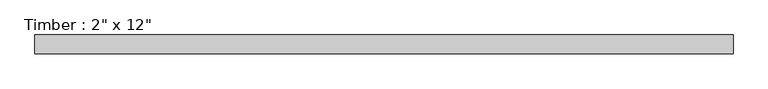
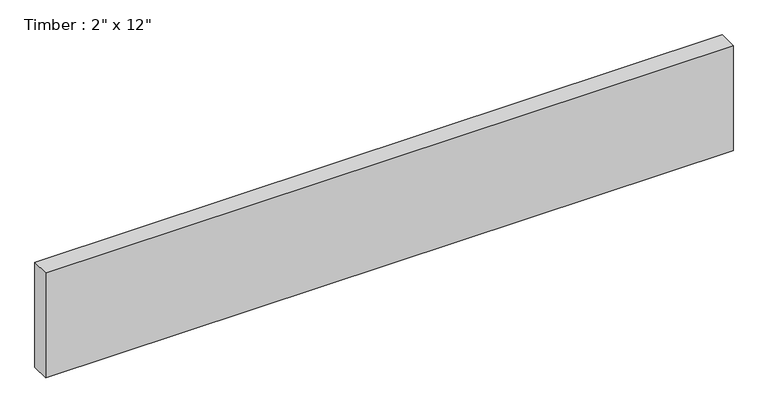
"""IFC4 building model written with IfcOpenShell, lengths in millimetres: beam geometry."""

import ifcopenshell
import ifcopenshell.guid

model = None  # the IFC model being written
_history = None  # IfcOwnerHistory: only IFC2X3 demands one
_inside = {}  # id of a spatial element -> (the spatial element, [elements in it])
_under = {}  # id of a project, library or spatial element -> (it, [spatial elements below it])
_declared = {}  # id of a project -> (the project, [libraries it declares])
_typed = {}  # id of a type object -> (the type object, [elements of that type])
_made_of = {}  # id of a material, layer set ... -> (it, [elements and type objects made of it])


def new_model(schema):
    """Start an empty IFC model of exactly this schema.

    Asked for "IFC4X3", IfcOpenShell would pick the latest addendum, in which some entities
    have other attributes; the version numbers below select the first issue.
    IFC2X3 requires an IfcOwnerHistory on every rooted entity: one is made here for all.
    """
    global model, _history
    if schema == "IFC4X3":
        model = ifcopenshell.file(schema_version=(4, 3, 0, 0))
    else:
        model = ifcopenshell.file(schema=schema)
    _inside.clear()
    _under.clear()
    _declared.clear()
    _typed.clear()
    _made_of.clear()
    _history = None
    if model.schema == "IFC2X3":
        org = make("IfcOrganization", Name="unknown")
        user = make(
            "IfcPersonAndOrganization",
            ThePerson=make("IfcPerson", FamilyName="unknown"),
            TheOrganization=org,
        )
        app = make(
            "IfcApplication",
            ApplicationDeveloper=org,
            Version="unknown",
            ApplicationFullName="unknown",
            ApplicationIdentifier="unknown",
        )
        _history = make(
            "IfcOwnerHistory",
            OwningUser=user,
            OwningApplication=app,
            ChangeAction="ADDED",
            CreationDate=0,
        )
    return model


def make(cls, **values):
    """One entity of the class cls with the attributes given. An attribute that is None is left unset."""
    return model.create_entity(
        cls, **{name: value for name, value in values.items() if value is not None}
    )


def rooted(cls, **values):
    """An entity with a GlobalId (a new one), such as an element, a storey or a relation."""
    return make(cls, GlobalId=ifcopenshell.guid.new(), OwnerHistory=_history, **values)


def si_unit(unit_type, name, prefix=None):
    """IfcSIUnit, for example si_unit("LENGTHUNIT", "METRE", prefix="MILLI")."""
    return make("IfcSIUnit", UnitType=unit_type, Prefix=prefix, Name=name)


def assignment(units):
    """IfcUnitAssignment: the units of a project."""
    return None if units is None else make("IfcUnitAssignment", Units=units)


def point(xyz):
    """IfcCartesianPoint."""
    return None if xyz is None else make("IfcCartesianPoint", Coordinates=xyz)


def direction(xyz):
    """IfcDirection."""
    return None if xyz is None else make("IfcDirection", DirectionRatios=xyz)


def frame(location, z_axis=None, x_axis=None):
    """IfcAxis2Placement3D, a coordinate frame: its origin and axes. An axis left out is left unset."""
    return make(
        "IfcAxis2Placement3D",
        Location=point(location),
        Axis=direction(z_axis),
        RefDirection=direction(x_axis),
    )


def origin():
    """The frame at (0, 0, 0) with its axes left unset."""
    return frame((0.0, 0.0, 0.0))


def place(relative_to, where):
    """IfcLocalPlacement: puts the frame where relative to a parent placement (None: the world)."""
    return make(
        "IfcLocalPlacement", PlacementRelTo=relative_to, RelativePlacement=where
    )


def context(
    kind, dimensions, precision=None, world=None, true_north=None, identifier=None
):
    """IfcGeometricRepresentationContext, for example the 3D "Model" context."""
    return make(
        "IfcGeometricRepresentationContext",
        ContextIdentifier=identifier,
        ContextType=kind,
        CoordinateSpaceDimension=dimensions,
        Precision=precision,
        WorldCoordinateSystem=world,
        TrueNorth=true_north,
    )


def project(units=None, contexts=None):
    """IfcProject with its units and contexts."""
    return rooted(
        "IfcProject",
        Name="project",
        RepresentationContexts=contexts,
        UnitsInContext=assignment(units),
    )


def spatial(cls, under=None, at=None, **own):
    """A site, building, storey or space (cls), placed at a placement, below another one or the project."""
    s = rooted(cls, ObjectPlacement=at, **own)
    if under is not None:
        _under.setdefault(under.id(), (under, []))[1].append(s)
    return s


def polyline(points):
    """IfcPolyline through the points."""
    return make("IfcPolyline", Points=[point(p) for p in points])


def outline(outer, holes=None, kind="AREA"):
    """IfcArbitraryClosedProfileDef: a profile drawn as a closed curve; with holes, ...WithVoids."""
    if holes is None:
        return make("IfcArbitraryClosedProfileDef", ProfileType=kind, OuterCurve=outer)
    return make(
        "IfcArbitraryProfileDefWithVoids",
        ProfileType=kind,
        OuterCurve=outer,
        InnerCurves=holes,
    )


def extrude(swept, where, along, depth):
    """IfcExtrudedAreaSolid: the profile swept, set in the frame where, extruded along a direction by depth."""
    return make(
        "IfcExtrudedAreaSolid",
        SweptArea=swept,
        Position=where,
        ExtrudedDirection=direction(along),
        Depth=depth,
    )


def shape(context_of_items, identifier, shape_type, items):
    """IfcShapeRepresentation: the items that make up one representation, for example the "Body"."""
    return make(
        "IfcShapeRepresentation",
        ContextOfItems=context_of_items,
        RepresentationIdentifier=identifier,
        RepresentationType=shape_type,
        Items=items,
    )


def source(mapping_origin, context_of_items, identifier, shape_type, items):
    """IfcRepresentationMap: a shape defined once, which mapped items show again and again."""
    return make(
        "IfcRepresentationMap",
        MappingOrigin=mapping_origin,
        MappedRepresentation=shape(context_of_items, identifier, shape_type, items),
    )


def transform(
    local_origin,
    x_axis=None,
    y_axis=None,
    z_axis=None,
    scale=None,
    scale2=None,
    scale3=None,
    uniform=True,
):
    """IfcCartesianTransformationOperator3D, or its non-uniform kind. x_axis, y_axis, z_axis: its Axis1, 2, 3."""
    if uniform:
        return make(
            "IfcCartesianTransformationOperator3D",
            Axis1=direction(x_axis),
            Axis2=direction(y_axis),
            LocalOrigin=point(local_origin),
            Scale=scale,
            Axis3=direction(z_axis),
        )
    return make(
        "IfcCartesianTransformationOperator3DnonUniform",
        Axis1=direction(x_axis),
        Axis2=direction(y_axis),
        LocalOrigin=point(local_origin),
        Scale=scale,
        Axis3=direction(z_axis),
        Scale2=scale2,
        Scale3=scale3,
    )


def mapped(mapping_source, mapping_target):
    """IfcMappedItem: shows the shape of a source again, moved by a transform."""
    return make(
        "IfcMappedItem", MappingSource=mapping_source, MappingTarget=mapping_target
    )


def made_of(thing, what):
    """Note that an element or type object is made of a material, layer set ...; save() writes the relation."""
    if what is not None:
        _made_of.setdefault(what.id(), (what, []))[1].append(thing)
    return thing


def element(
    cls,
    number,
    at=None,
    inside=None,
    cuts=None,
    type_object=None,
    material=None,
    context=None,
    identifier="Body",
    shape_type=None,
    held_by="IfcProductDefinitionShape",
    body=None,
    shapes=None,
    **own,
):
    """One element of the class cls, such as IfcWall. Its Tag is "e" and its number.

    at: its placement. inside: the storey or other place that contains it. cuts: it is an
    opening in that element (IfcRelVoidsElement). A single representation is given by context,
    identifier, shape_type and body (its items); several are given by shapes. held_by: the class
    of the entity that holds the representations. save() writes the other relations.
    """
    e = rooted(cls, Tag="e%d" % number, ObjectPlacement=at, **own)
    if body is not None:
        shapes = [shape(context, identifier, shape_type, body)]
    if shapes is not None:
        e.Representation = make(held_by, Representations=shapes)
    if inside is not None:
        _inside.setdefault(inside.id(), (inside, []))[1].append(e)
    if cuts is not None:
        rooted(
            "IfcRelVoidsElement", RelatingBuildingElement=cuts, RelatedOpeningElement=e
        )
    if type_object is not None:
        _typed.setdefault(type_object.id(), (type_object, []))[1].append(e)
    return made_of(e, material)


def aggregate(whole, parts):
    """IfcRelAggregates: a whole, such as a stair, and the parts it consists of."""
    return rooted("IfcRelAggregates", RelatingObject=whole, RelatedObjects=parts)


def save(model, path):
    """Write the relations noted so far, then the file.

    IfcRelAggregates (storeys below a building ...), IfcRelContainedInSpatialStructure (elements
    in a storey), IfcRelDefinesByType, IfcRelAssociatesMaterial and IfcRelDeclares: one each for
    every whole, place, type object, material and project.
    """
    for whole, parts in _under.values():
        aggregate(whole, parts)
    for where, things in _inside.values():
        rooted(
            "IfcRelContainedInSpatialStructure",
            RelatedElements=things,
            RelatingStructure=where,
        )
    for kind, things in _typed.values():
        rooted("IfcRelDefinesByType", RelatedObjects=things, RelatingType=kind)
    for what, things in _made_of.values():
        rooted("IfcRelAssociatesMaterial", RelatedObjects=things, RelatingMaterial=what)
    for by, libraries in _declared.values():
        rooted("IfcRelDeclares", RelatingContext=by, RelatedDefinitions=libraries)
    model.write(path)


def beam_f2fcc562(model_context):
    return source(origin(), model_context, "Body", "SweptSolid", [
        extrude(outline(polyline([(968.3749994, 25.4), (968.3749994, -25.4), (-917.575, -25.4), (-917.575, 25.4), (968.3749994, 25.4)])), frame((0.0, 0.0, -152.4), z_axis=(0.0, 0.0, 1.0), x_axis=(1.0, 0.0, 0.0)), (0.0, 0.0, 1.0), 304.8),
    ])


if __name__ == "__main__":
    model = new_model("IFC4")
    model_context = context("Model", 3, world=origin())
    ifc_project = project(units=[si_unit("LENGTHUNIT", "METRE", prefix="MILLI")], contexts=[model_context])
    site = spatial("IfcSite", under=ifc_project)
    building = spatial("IfcBuilding", under=site)
    placement = place(None, origin())
    beam_shape = beam_f2fcc562(model_context)
    element("IfcBeam", 1, ObjectType="Timber : 2\" x 12\"", at=placement, inside=building, context=model_context, shape_type="MappedRepresentation", body=[
        mapped(beam_shape, transform((0.0, 0.0, 0.0), x_axis=(1.0, 0.0, 0.0), y_axis=(0.0, 1.0, 0.0), z_axis=(0.0, 0.0, 1.0))),
    ])
    save(model, "model.ifc")
